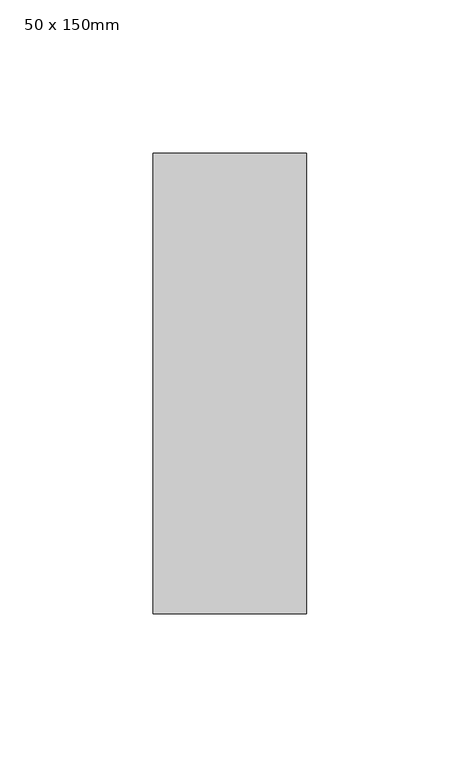
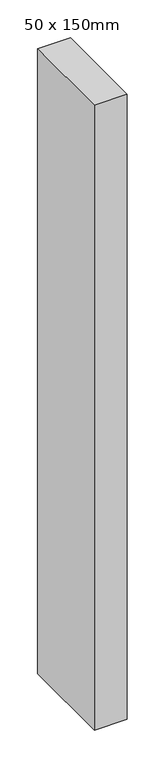
"""IFC4 building model written with IfcOpenShell, lengths in millimetres: member geometry, 50 x 150mm."""

from ifc_helpers import new_model, si_unit, frame, origin, place, context, project, spatial, polyline, outline, extrude, source, transform, mapped, element, save


def member_50_x_150mm_8dc59870(model_context):
    return source(origin(), model_context, "Body", "SweptSolid", [
        extrude(outline(polyline([(0.0, 75.0), (0.0, -75.0), (-50.0, -75.0), (-50.0, 75.0), (0.0, 75.0)])), frame((0.0, 0.0, -1007.3796676), z_axis=(0.0, 0.0, 1.0), x_axis=(1.0, 0.0, 0.0)), (0.0, 0.0, 1.0), 1007.3796676),
    ])


if __name__ == "__main__":
    model = new_model("IFC4")
    model_context = context("Model", 3, world=origin())
    ifc_project = project(units=[si_unit("LENGTHUNIT", "METRE", prefix="MILLI")], contexts=[model_context])
    site = spatial("IfcSite", under=ifc_project)
    building = spatial("IfcBuilding", under=site)
    placement = place(None, origin())
    member_50_x_150mm_shape = member_50_x_150mm_8dc59870(model_context)
    element("IfcMember", 1, ObjectType="50 x 150mm", at=placement, inside=building, context=model_context, shape_type="MappedRepresentation", body=[
        mapped(member_50_x_150mm_shape, transform((0.0, 0.0, 0.0), x_axis=(1.0, 0.0, 0.0), y_axis=(0.0, 1.0, 0.0), z_axis=(0.0, 0.0, 1.0))),
    ])
    save(model, "model.ifc")
